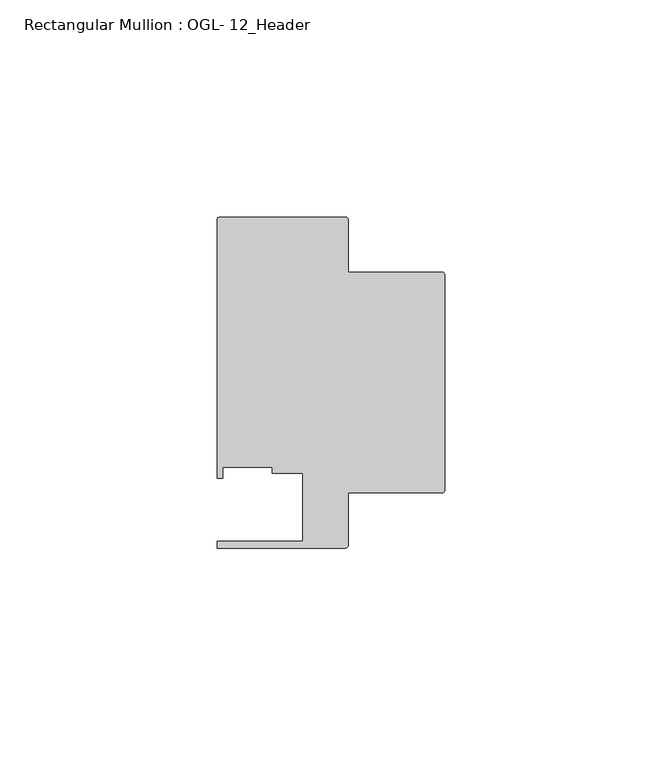
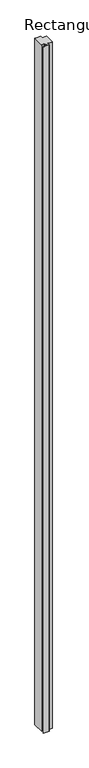
"""IFC4 building model written with IfcOpenShell, lengths in millimetres: member geometry, Rectangular Mullion : OGL- 12_Header."""

from ifc_helpers import new_model, si_unit, point, frame, frame_2d, origin, place, context, project, spatial, polyline, circle_curve, trimmed, segment, composite_curve, outline, extrude, source, transform, mapped, element, save


def rectangular_mullion_ogl_12_header_7f532527(model_context):
    return source(origin(), model_context, "Body", "SweptSolid", [
        extrude(outline(composite_curve([segment(trimmed(circle_curve(frame_2d((-0.5953125, 24.8046875)), 0.5953125), [point((-0.5953125, 25.4))], [point((0.0, 24.8046875))], False, "CARTESIAN"), True, "CONTINUOUS"), segment(polyline([(0.0, 24.8046875), (0.0, -24.8046875)]), True, "CONTINUOUS"), segment(trimmed(circle_curve(frame_2d((-0.5953125, -24.8046875)), 0.5953125), [point((0.0, -24.8046875))], [point((-0.5953125, -25.4))], False, "CARTESIAN"), True, "CONTINUOUS"), segment(polyline([(-0.5953125, -25.4), (-22.2332898, -25.4), (-22.2332898, -37.456959)]), True, "CONTINUOUS"), segment(trimmed(circle_curve(frame_2d((-22.8763468, -37.456959)), 0.643057), [point((-22.2332898, -37.456959))], [point((-22.8763468, -38.100016))], False, "CARTESIAN"), True, "CONTINUOUS"), segment(polyline([(-22.8763468, -38.100016), (-52.3830881, -38.100016), (-52.3830881, -36.512516), (-32.730302, -36.512516), (-32.730302, -20.8257348), (-39.7567771, -20.8257348), (-39.7567771, -19.4824275), (-51.1362531, -19.4824275), (-51.1362531, -21.9710976), (-52.3921824, -21.9710976), (-52.3921824, 37.5043667)]), True, "CONTINUOUS"), segment(trimmed(circle_curve(frame_2d((-51.7968699, 37.5043667)), 0.5953125), [point((-52.3921824, 37.5043667))], [point((-51.7968699, 38.0996792))], False, "CARTESIAN"), True, "CONTINUOUS"), segment(polyline([(-51.7968699, 38.0996792), (-22.8286023, 38.0996792)]), True, "CONTINUOUS"), segment(trimmed(circle_curve(frame_2d((-22.8286023, 37.5043667)), 0.5953125), [point((-22.8286023, 38.0996792))], [point((-22.2332898, 37.5043667))], False, "CARTESIAN"), True, "CONTINUOUS"), segment(polyline([(-22.2332898, 37.5043667), (-22.2332898, 25.4), (-0.5953125, 25.4)]), True, "CONTINUOUS")], self_intersect=False)), frame((0.0, 0.0, -3717.9320804), z_axis=(0.0, 0.0, 1.0), x_axis=(1.0, 0.0, 0.0)), (0.0, 0.0, 1.0), 3717.9320804),
    ])


if __name__ == "__main__":
    model = new_model("IFC4")
    model_context = context("Model", 3, world=origin())
    ifc_project = project(units=[si_unit("LENGTHUNIT", "METRE", prefix="MILLI")], contexts=[model_context])
    site = spatial("IfcSite", under=ifc_project)
    building = spatial("IfcBuilding", under=site)
    placement = place(None, origin())
    rectangular_mullion_ogl_12_header_shape = rectangular_mullion_ogl_12_header_7f532527(model_context)
    element("IfcMember", 1, ObjectType="Rectangular Mullion : OGL- 12_Header", at=placement, inside=building, context=model_context, shape_type="MappedRepresentation", body=[
        mapped(rectangular_mullion_ogl_12_header_shape, transform((0.0, 0.0, 0.0), x_axis=(1.0, 0.0, 0.0), y_axis=(0.0, 1.0, 0.0), z_axis=(0.0, 0.0, 1.0))),
    ])
    save(model, "model.ifc")
